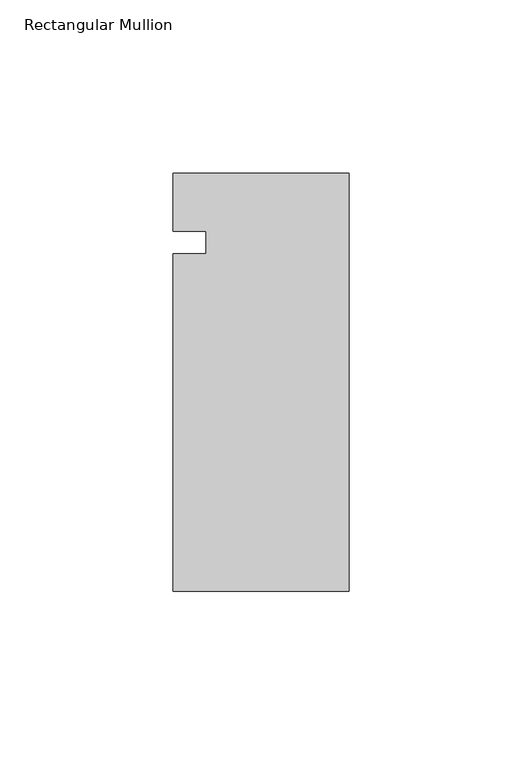
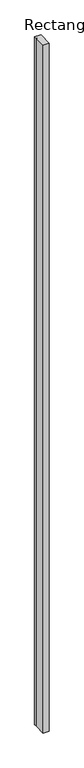
"""IFC4 building model written with IfcOpenShell, lengths in millimetres: member geometry, Rectangular Mullion."""

from ifc_helpers import new_model, si_unit, frame, origin, place, context, project, spatial, polyline, outline, extrude, source, transform, mapped, element, save


def rectangular_mullion_b3b58000(model_context):
    return source(origin(), model_context, "Body", "SweptSolid", [
        extrude(outline(polyline([(0.0, -59.9711801), (-50.7746, -59.9711801), (-50.7746, 37.4228461), (-41.2496, 37.4228461), (-41.2496, 43.8630845), (-50.7746, 43.8630845), (-50.7746, 60.6788199), (0.0, 60.6788199), (0.0, -59.9711801)])), frame((0.0, 0.0, -6019.8), z_axis=(0.0, 0.0, 1.0), x_axis=(1.0, 0.0, 0.0)), (0.0, 0.0, 1.0), 6019.8),
    ])


if __name__ == "__main__":
    model = new_model("IFC4")
    model_context = context("Model", 3, world=origin())
    ifc_project = project(units=[si_unit("LENGTHUNIT", "METRE", prefix="MILLI")], contexts=[model_context])
    site = spatial("IfcSite", under=ifc_project)
    building = spatial("IfcBuilding", under=site)
    placement = place(None, origin())
    rectangular_mullion_shape = rectangular_mullion_b3b58000(model_context)
    element("IfcMember", 1, ObjectType="Rectangular Mullion", at=placement, inside=building, context=model_context, shape_type="MappedRepresentation", body=[
        mapped(rectangular_mullion_shape, transform((0.0, 0.0, 0.0), x_axis=(1.0, 0.0, 0.0), y_axis=(0.0, 1.0, 0.0), z_axis=(0.0, 0.0, 1.0))),
    ])
    save(model, "model.ifc")
